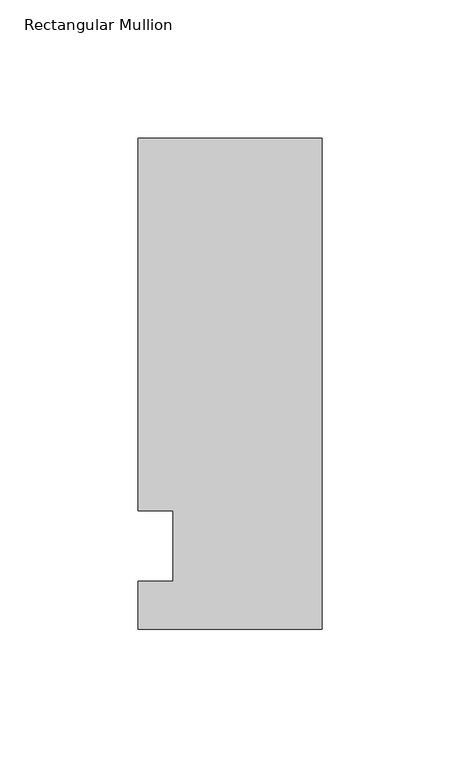
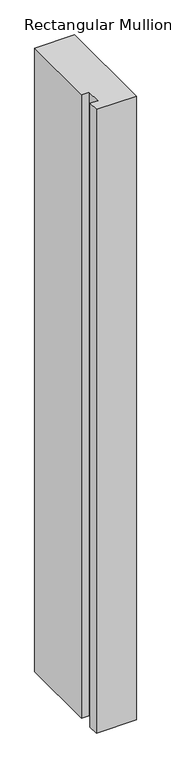
"""IFC4 building model written with IfcOpenShell, lengths in millimetres: member geometry, Rectangular Mullion."""

from ifc_helpers import new_model, si_unit, frame, origin, place, context, project, spatial, polyline, outline, extrude, source, transform, mapped, element, save


def rectangular_mullion_604ac453(model_context):
    return source(origin(), model_context, "Body", "SweptSolid", [
        extrude(outline(polyline([(-66.675, 147.6375), (0.0, 147.6375), (0.0, -30.1625), (-66.675, -30.1625), (-66.675, -12.7), (-53.9732296, -12.7), (-53.9732296, 12.7), (-66.675, 12.7), (-66.675, 147.6375)])), frame((0.0, 0.0, -1098.55), z_axis=(0.0, 0.0, 1.0), x_axis=(1.0, 0.0, 0.0)), (0.0, 0.0, 1.0), 1098.55),
    ])


if __name__ == "__main__":
    model = new_model("IFC4")
    model_context = context("Model", 3, world=origin())
    ifc_project = project(units=[si_unit("LENGTHUNIT", "METRE", prefix="MILLI")], contexts=[model_context])
    site = spatial("IfcSite", under=ifc_project)
    building = spatial("IfcBuilding", under=site)
    placement = place(None, origin())
    rectangular_mullion_shape = rectangular_mullion_604ac453(model_context)
    element("IfcMember", 1, ObjectType="Rectangular Mullion", at=placement, inside=building, context=model_context, shape_type="MappedRepresentation", body=[
        mapped(rectangular_mullion_shape, transform((0.0, 0.0, 0.0), x_axis=(1.0, 0.0, 0.0), y_axis=(0.0, 1.0, 0.0), z_axis=(0.0, 0.0, 1.0))),
    ])
    save(model, "model.ifc")
